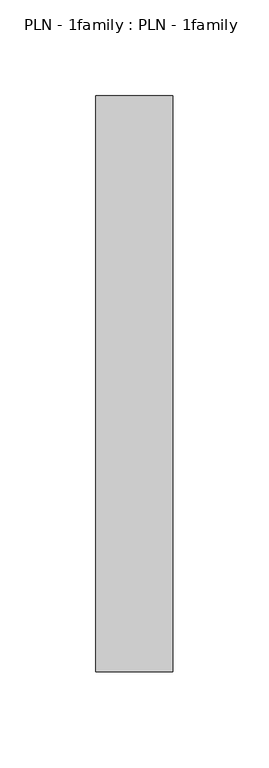
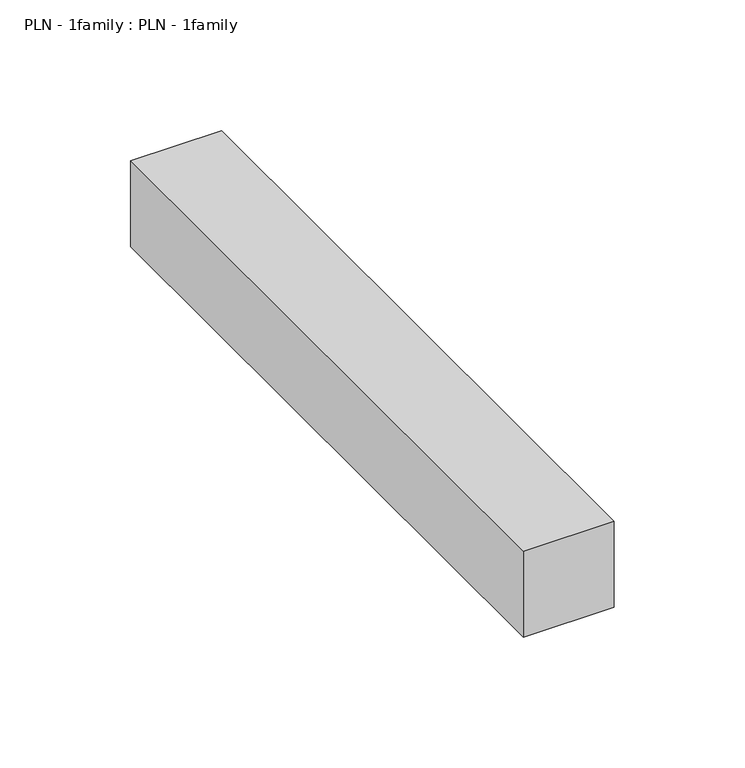
"""IFC4 building model written with IfcOpenShell, lengths in millimetres: proxy geometry, PLN - 1family : PLN - 1family."""

from ifc_helpers import new_model, si_unit, frame, origin, place, context, project, spatial, polyline, outline, extrude, source, transform, mapped, element, save


def pln_1family_pln_1family_8d14096d(model_context):
    return source(origin(), model_context, "Body", "SweptSolid", [
        extrude(outline(polyline([(0.0, 300.0), (40.0, 300.0), (40.0, 0.0), (0.0, 0.0), (0.0, 300.0)])), frame((0.0, 0.0, 200.0), z_axis=(0.0, 0.0, 1.0), x_axis=(1.0, 0.0, 0.0)), (0.0, 0.0, 1.0), 40.0),
    ])


if __name__ == "__main__":
    model = new_model("IFC4")
    model_context = context("Model", 3, world=origin())
    ifc_project = project(units=[si_unit("LENGTHUNIT", "METRE", prefix="MILLI")], contexts=[model_context])
    site = spatial("IfcSite", under=ifc_project)
    building = spatial("IfcBuilding", under=site)
    placement = place(None, origin())
    pln_1family_pln_1family_shape = pln_1family_pln_1family_8d14096d(model_context)
    element("IfcBuildingElementProxy", 1, Name="PLN - 1family : PLN - 1family", ObjectType="PLN - 1family : PLN - 1family", at=placement, inside=building, context=model_context, shape_type="MappedRepresentation", body=[
        mapped(pln_1family_pln_1family_shape, transform((0.0, 0.0, 0.0), x_axis=(1.0, 0.0, 0.0), y_axis=(0.0, 1.0, 0.0), z_axis=(0.0, 0.0, 1.0))),
    ])
    save(model, "model.ifc")
